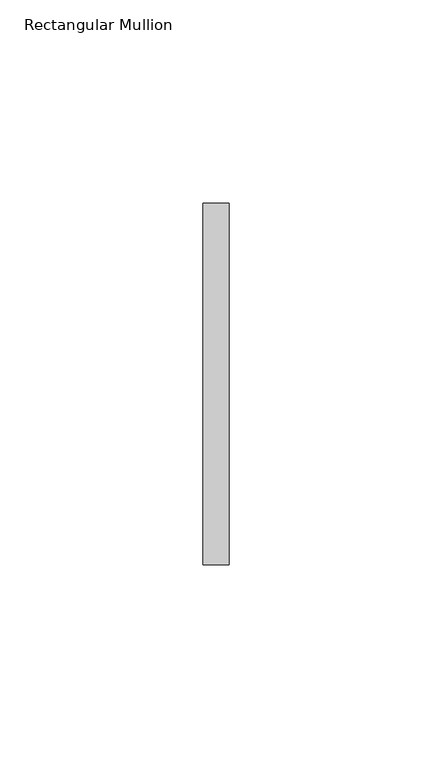
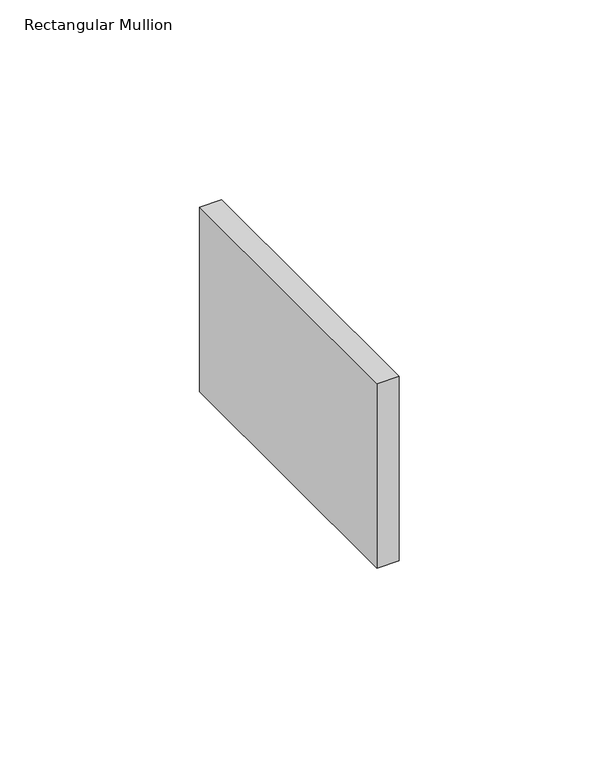
"""IFC4 building model written with IfcOpenShell, lengths in millimetres: member geometry, Rectangular Mullion."""

from ifc_helpers import new_model, si_unit, frame, origin, place, context, project, spatial, polyline, outline, extrude, source, transform, mapped, element, save


def rectangular_mullion_7b86c4f0(model_context):
    return source(origin(), model_context, "Body", "SweptSolid", [
        extrude(outline(polyline([(0.0, 44.45), (0.0, -44.45), (-6.35, -44.45), (-6.35, 44.45), (0.0, 44.45)])), frame((0.0, 0.0, -56.42072), z_axis=(0.0, 0.0, 1.0), x_axis=(1.0, 0.0, 0.0)), (0.0, 0.0, 1.0), 56.42072),
    ])


if __name__ == "__main__":
    model = new_model("IFC4")
    model_context = context("Model", 3, world=origin())
    ifc_project = project(units=[si_unit("LENGTHUNIT", "METRE", prefix="MILLI")], contexts=[model_context])
    site = spatial("IfcSite", under=ifc_project)
    building = spatial("IfcBuilding", under=site)
    placement = place(None, origin())
    rectangular_mullion_shape = rectangular_mullion_7b86c4f0(model_context)
    element("IfcMember", 1, ObjectType="Rectangular Mullion", at=placement, inside=building, context=model_context, shape_type="MappedRepresentation", body=[
        mapped(rectangular_mullion_shape, transform((0.0, 0.0, 0.0), x_axis=(1.0, 0.0, 0.0), y_axis=(0.0, 1.0, 0.0), z_axis=(0.0, 0.0, 1.0))),
    ])
    save(model, "model.ifc")
